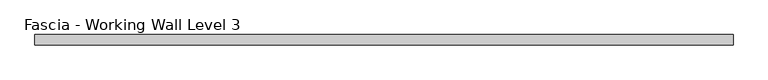
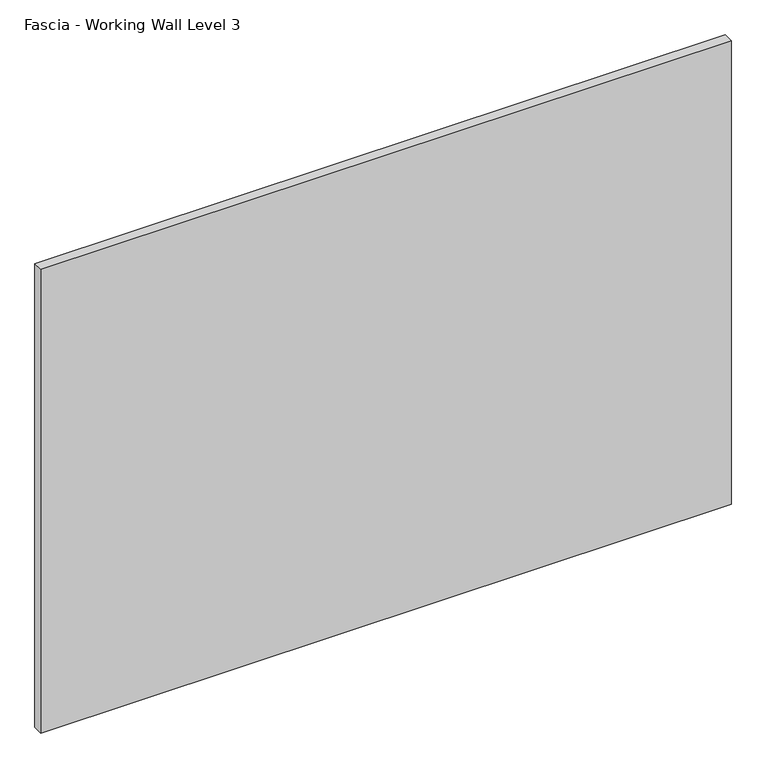
"""IFC4 building model written with IfcOpenShell, lengths in millimetres: proxy geometry, Fascia - Working Wall Level 3."""

from ifc_helpers import new_model, si_unit, origin, origin_with_axes, place, context, project, spatial, polyline, outline, extrude, source, transform, mapped, element, save


def fascia_working_wall_level_3_a37947af(model_context):
    return source(origin(), model_context, "Body", "SweptSolid", [
        extrude(outline(polyline([(-683.2777862, 24.22678), (521.7252112, 24.22678), (521.7252112, 6.75158), (-683.2777862, 6.75158), (-683.2777862, 24.22678)])), origin_with_axes(), (0.0, 0.0, 1.0), 855.9484),
    ])


if __name__ == "__main__":
    model = new_model("IFC4")
    model_context = context("Model", 3, world=origin())
    ifc_project = project(units=[si_unit("LENGTHUNIT", "METRE", prefix="MILLI")], contexts=[model_context])
    site = spatial("IfcSite", under=ifc_project)
    building = spatial("IfcBuilding", under=site)
    placement = place(None, origin())
    fascia_working_wall_level_3_shape = fascia_working_wall_level_3_a37947af(model_context)
    element("IfcBuildingElementProxy", 1, Name="Fascia - Working Wall Level 3", ObjectType="Fascia - Working Wall Level 3", at=placement, inside=building, context=model_context, shape_type="MappedRepresentation", body=[
        mapped(fascia_working_wall_level_3_shape, transform((0.0, 0.0, 0.0), x_axis=(1.0, 0.0, 0.0), y_axis=(0.0, 1.0, 0.0), z_axis=(0.0, 0.0, 1.0))),
    ])
    save(model, "model.ifc")
